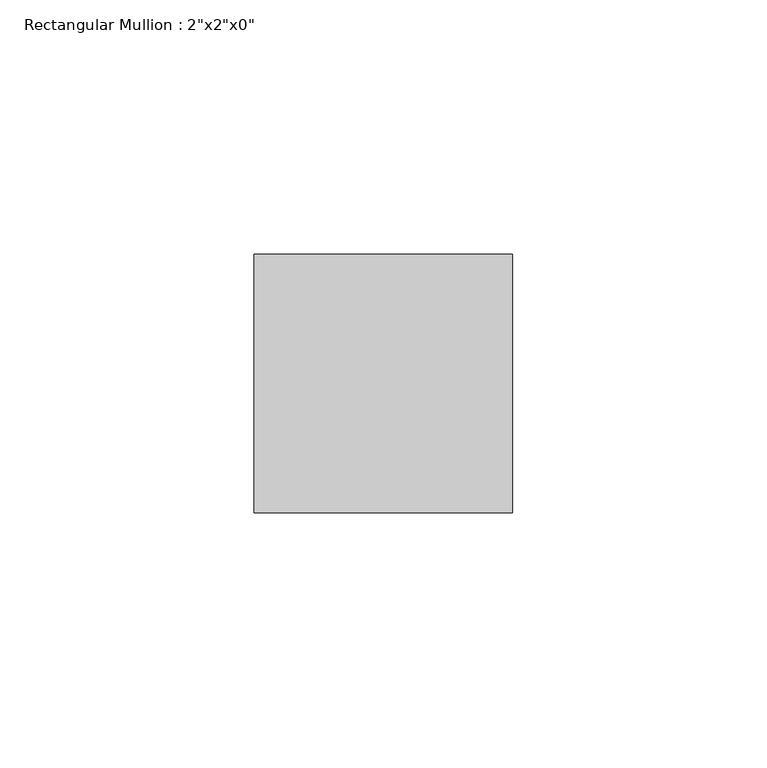
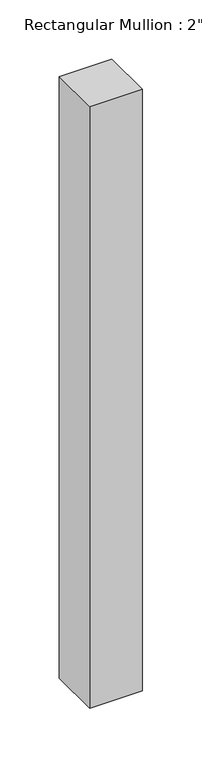
"""IFC4 building model written with IfcOpenShell, lengths in millimetres: member geometry."""

from ifc_helpers import new_model, si_unit, frame, origin, place, context, project, spatial, polyline, outline, extrude, source, transform, mapped, element, save


def member_5c32a4e9(model_context):
    return source(origin(), model_context, "Body", "SweptSolid", [
        extrude(outline(polyline([(0.0, 25.4), (0.0, -25.4), (-50.8, -25.4), (-50.8, 25.4), (0.0, 25.4)])), frame((0.0, 0.0, -617.4508804), z_axis=(0.0, 0.0, 1.0), x_axis=(1.0, 0.0, 0.0)), (0.0, 0.0, 1.0), 617.4508804),
    ])


if __name__ == "__main__":
    model = new_model("IFC4")
    model_context = context("Model", 3, world=origin())
    ifc_project = project(units=[si_unit("LENGTHUNIT", "METRE", prefix="MILLI")], contexts=[model_context])
    site = spatial("IfcSite", under=ifc_project)
    building = spatial("IfcBuilding", under=site)
    placement = place(None, origin())
    member_shape = member_5c32a4e9(model_context)
    element("IfcMember", 1, ObjectType="Rectangular Mullion : 2\"x2\"x0\"", at=placement, inside=building, context=model_context, shape_type="MappedRepresentation", body=[
        mapped(member_shape, transform((0.0, 0.0, 0.0), x_axis=(1.0, 0.0, 0.0), y_axis=(0.0, 1.0, 0.0), z_axis=(0.0, 0.0, 1.0))),
    ])
    save(model, "model.ifc")
